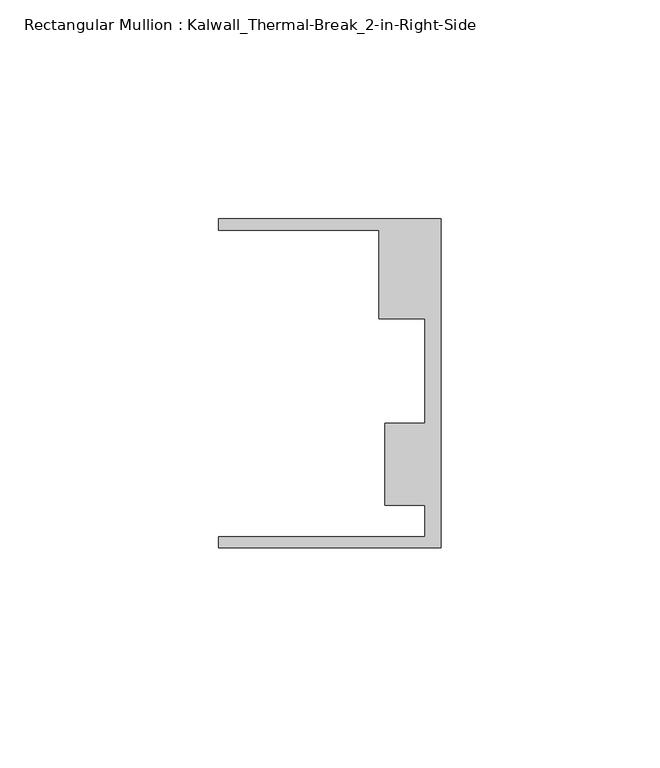
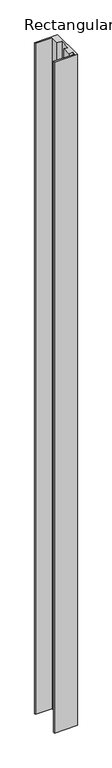
"""IFC4 building model written with IfcOpenShell, lengths in millimetres: member geometry, Rectangular Mullion : Kalwall_Thermal-Break_2-in-Right-Side."""

from ifc_helpers import new_model, si_unit, frame, origin, place, context, project, spatial, polyline, outline, extrude, source, transform, mapped, element, save


def rectangular_mullion_kalwall_thermal_break_2_in_right_side_faafaee2(model_context):
    return source(origin(), model_context, "Body", "SweptSolid", [
        extrude(outline(polyline([(0.0, -37.5776386), (-50.8, -37.5776386), (-50.8, -35.0376386), (-3.7084, -35.0376386), (-3.7084, -27.8888568), (-12.8272539, -27.8888568), (-12.8272539, -9.1879886), (-3.7084, -9.1879886), (-3.7084, 14.7439614), (-14.1732, 14.7439614), (-14.1732, 34.9623614), (-50.8, 34.9623614), (-50.8, 37.5023614), (0.0, 37.5023614), (0.0, -37.5776386)])), frame((0.0, 0.0, -1565.502), z_axis=(0.0, 0.0, 1.0), x_axis=(1.0, 0.0, 0.0)), (0.0, 0.0, 1.0), 1565.502),
    ])


if __name__ == "__main__":
    model = new_model("IFC4")
    model_context = context("Model", 3, world=origin())
    ifc_project = project(units=[si_unit("LENGTHUNIT", "METRE", prefix="MILLI")], contexts=[model_context])
    site = spatial("IfcSite", under=ifc_project)
    building = spatial("IfcBuilding", under=site)
    placement = place(None, origin())
    rectangular_mullion_kalwall_thermal_break_2_in_right_side_shape = rectangular_mullion_kalwall_thermal_break_2_in_right_side_faafaee2(model_context)
    element("IfcMember", 1, ObjectType="Rectangular Mullion : Kalwall_Thermal-Break_2-in-Right-Side", at=placement, inside=building, context=model_context, shape_type="MappedRepresentation", body=[
        mapped(rectangular_mullion_kalwall_thermal_break_2_in_right_side_shape, transform((0.0, 0.0, 0.0), x_axis=(1.0, 0.0, 0.0), y_axis=(0.0, 1.0, 0.0), z_axis=(0.0, 0.0, 1.0))),
    ])
    save(model, "model.ifc")
